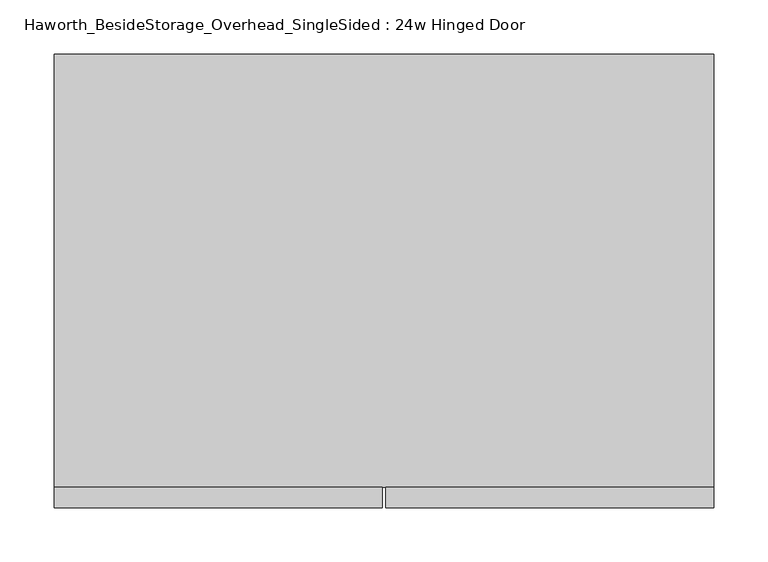
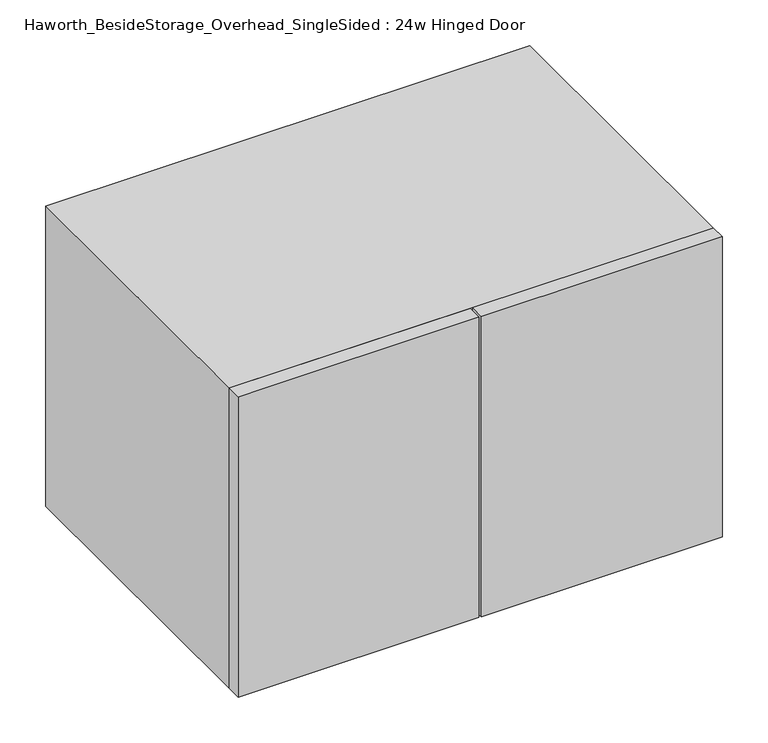
"""IFC4 building model written with IfcOpenShell, lengths in millimetres: furniture geometry, Haworth_BesideStorage_Overhead_SingleSided : 24w Hinged Door."""

from ifc_helpers import new_model, si_unit, frame, origin, place, context, project, spatial, polyline, outline, extrude, source, transform, mapped, element, save


def haworth_besidestorage_overhead_singlesided_24w_hinged_door_1c3b41e7(model_context):
    return source(origin(), model_context, "Body", "SweptSolid", [
        extrude(outline(polyline([(166.6875, -419.1), (166.6875, -400.05), (469.9, -400.05), (469.9, -419.1), (166.6875, -419.1)])), frame((0.0, 0.0, 762.0), z_axis=(0.0, 0.0, 1.0), x_axis=(1.0, 0.0, 0.0)), (0.0, 0.0, 1.0), 400.05),
        extrude(outline(polyline([(163.5125, -419.1), (-139.7, -419.1), (-139.7, -400.05), (163.5125, -400.05), (163.5125, -419.1)])), frame((0.0, 0.0, 762.0), z_axis=(0.0, 0.0, 1.0), x_axis=(1.0, 0.0, 0.0)), (0.0, 0.0, 1.0), 400.05),
        extrude(outline(polyline([(174.625, -400.05), (155.575, -400.05), (155.575, -19.05), (174.625, -19.05), (174.625, -400.05)])), frame((0.0, 0.0, 781.05), z_axis=(0.0, 0.0, 1.0), x_axis=(1.0, 0.0, 0.0)), (0.0, 0.0, 1.0), 361.95),
        extrude(outline(polyline([(450.85, -19.05), (-120.65, -19.05), (-120.65, 0.0), (450.85, 0.0), (450.85, -19.05)])), frame((0.0, 0.0, 781.05), z_axis=(0.0, 0.0, 1.0), x_axis=(1.0, 0.0, 0.0)), (0.0, 0.0, 1.0), 361.95),
        extrude(outline(polyline([(762.0, 469.9), (1162.05, 469.9), (1162.05, -139.7), (762.0, -139.7), (762.0, 469.9)]), holes=[polyline([(1143.0, 450.85), (781.05, 450.85), (781.05, -120.65), (1143.0, -120.65), (1143.0, 450.85)])]), frame((0.0, -400.05, 0.0), z_axis=(0.0, 1.0, 0.0), x_axis=(0.0, 0.0, 1.0)), (0.0, 0.0, 1.0), 400.05),
    ])


if __name__ == "__main__":
    model = new_model("IFC4")
    model_context = context("Model", 3, world=origin())
    ifc_project = project(units=[si_unit("LENGTHUNIT", "METRE", prefix="MILLI")], contexts=[model_context])
    site = spatial("IfcSite", under=ifc_project)
    building = spatial("IfcBuilding", under=site)
    placement = place(None, origin())
    haworth_besidestorage_overhead_singlesided_24w_hinged_door_shape = haworth_besidestorage_overhead_singlesided_24w_hinged_door_1c3b41e7(model_context)
    element("IfcFurniture", 1, ObjectType="Haworth_BesideStorage_Overhead_SingleSided : 24w Hinged Door", at=placement, inside=building, context=model_context, shape_type="MappedRepresentation", body=[
        mapped(haworth_besidestorage_overhead_singlesided_24w_hinged_door_shape, transform((0.0, 0.0, 0.0), x_axis=(1.0, 0.0, 0.0), y_axis=(0.0, 1.0, 0.0), z_axis=(0.0, 0.0, 1.0))),
    ])
    save(model, "model.ifc")
